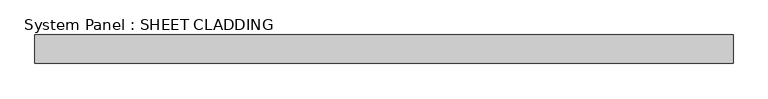
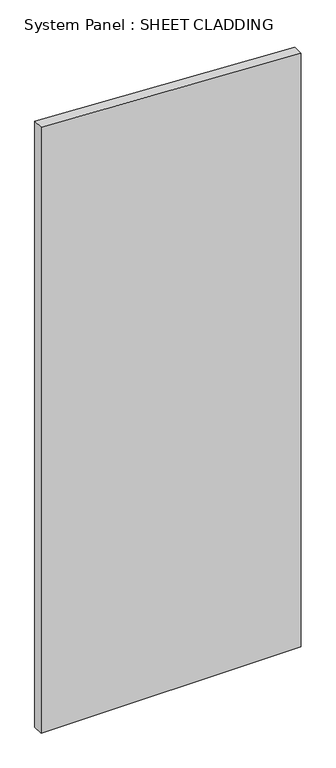
"""IFC4 building model written with IfcOpenShell, lengths in millimetres: plate geometry, System Panel : SHEET CLADDING."""

from ifc_helpers import new_model, si_unit, frame, origin, place, context, project, spatial, polyline, outline, extrude, source, transform, mapped, element, save


def system_panel_sheet_cladding_a57cf73a(model_context):
    return source(origin(), model_context, "Body", "SweptSolid", [
        extrude(outline(polyline([(0.0, -735.4591837), (0.0, 735.4591837), (3546.1714286, 735.4591837), (3619.7173469, -735.4591837), (0.0, -735.4591837)])), frame((0.0, -10.5, 0.0), z_axis=(0.0, 1.0, 0.0), x_axis=(0.0, 0.0, 1.0)), (0.0, 0.0, 1.0), 60.0),
    ])


if __name__ == "__main__":
    model = new_model("IFC4")
    model_context = context("Model", 3, world=origin())
    ifc_project = project(units=[si_unit("LENGTHUNIT", "METRE", prefix="MILLI")], contexts=[model_context])
    site = spatial("IfcSite", under=ifc_project)
    building = spatial("IfcBuilding", under=site)
    placement = place(None, origin())
    system_panel_sheet_cladding_shape = system_panel_sheet_cladding_a57cf73a(model_context)
    element("IfcPlate", 1, ObjectType="System Panel : SHEET CLADDING", at=placement, inside=building, context=model_context, shape_type="MappedRepresentation", body=[
        mapped(system_panel_sheet_cladding_shape, transform((0.0, 0.0, 0.0), x_axis=(1.0, 0.0, 0.0), y_axis=(0.0, 1.0, 0.0), z_axis=(0.0, 0.0, 1.0))),
    ])
    save(model, "model.ifc")
